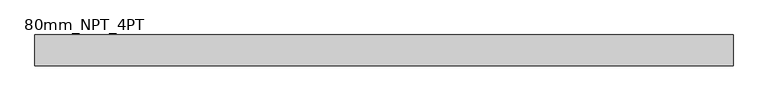
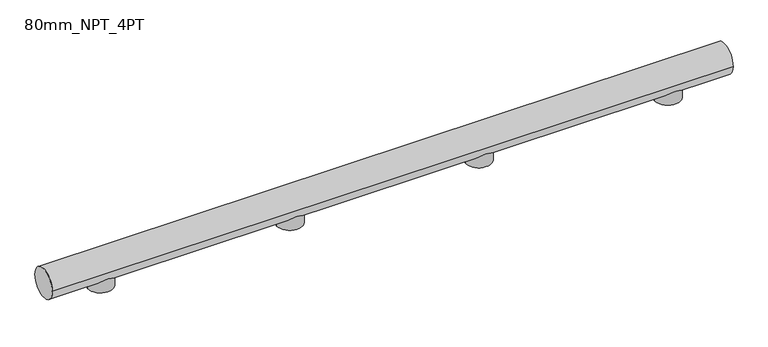
"""IFC4 building model written with IfcOpenShell, lengths in millimetres: proxy geometry, 80mm_NPT_4PT."""

from ifc_helpers import new_model, si_unit, point, frame, frame_2d, origin, place, context, project, spatial, circle_curve, trimmed, segment, composite_curve, outline, extrude, source, transform, mapped, element, save


def proxy_80mm_npt_4pt_a45b7241(model_context):
    return source(origin(), model_context, "Body", "SweptSolid", [
        extrude(outline(composite_curve([segment(trimmed(circle_curve(frame_2d((1250.0, 0.0)), 33.5), [point((1216.5, 0.0))], [point((1283.5, 0.0))], False, "CARTESIAN"), True, "CONTINUOUS"), segment(trimmed(circle_curve(frame_2d((1250.0, 0.0)), 33.5), [point((1283.5, 0.0))], [point((1216.5, 0.0))], False, "CARTESIAN"), True, "CONTINUOUS")], self_intersect=False)), frame((0.0, 0.0, -17.10201), z_axis=(0.0, 0.0, 1.0), x_axis=(1.0, 0.0, 0.0)), (0.0, 0.0, 1.0), 67.4327816),
        extrude(outline(composite_curve([segment(trimmed(circle_curve(frame_2d((750.0, 0.0)), 33.5), [point((716.5, 0.0))], [point((783.5, 0.0))], False, "CARTESIAN"), True, "CONTINUOUS"), segment(trimmed(circle_curve(frame_2d((750.0, 0.0)), 33.5), [point((783.5, 0.0))], [point((716.5, 0.0))], False, "CARTESIAN"), True, "CONTINUOUS")], self_intersect=False)), frame((0.0, 0.0, -17.10201), z_axis=(0.0, 0.0, 1.0), x_axis=(1.0, 0.0, 0.0)), (0.0, 0.0, 1.0), 67.4327816),
        extrude(outline(composite_curve([segment(trimmed(circle_curve(frame_2d((250.0, 0.0)), 33.5), [point((216.5, 0.0))], [point((283.5, 0.0))], False, "CARTESIAN"), True, "CONTINUOUS"), segment(trimmed(circle_curve(frame_2d((250.0, 0.0)), 33.5), [point((283.5, 0.0))], [point((216.5, 0.0))], False, "CARTESIAN"), True, "CONTINUOUS")], self_intersect=False)), frame((0.0, 0.0, -17.10201), z_axis=(0.0, 0.0, 1.0), x_axis=(1.0, 0.0, 0.0)), (0.0, 0.0, 1.0), 67.4327816),
        extrude(outline(composite_curve([segment(trimmed(circle_curve(frame_2d((-250.0, 0.0)), 33.5), [point((-283.5, 0.0))], [point((-216.5, 0.0))], False, "CARTESIAN"), True, "CONTINUOUS"), segment(trimmed(circle_curve(frame_2d((-250.0, 0.0)), 33.5), [point((-216.5, 0.0))], [point((-283.5, 0.0))], False, "CARTESIAN"), True, "CONTINUOUS")], self_intersect=False)), frame((0.0, 0.0, -17.10201), z_axis=(0.0, 0.0, 1.0), x_axis=(1.0, 0.0, 0.0)), (0.0, 0.0, 1.0), 67.4327816),
        extrude(outline(composite_curve([segment(trimmed(circle_curve(frame_2d((0.0, 40.0)), 40.0), [point((-40.0, 40.0))], [point((40.0, 40.0))], False, "CARTESIAN"), True, "CONTINUOUS"), segment(trimmed(circle_curve(frame_2d((0.0, 40.0)), 40.0), [point((40.0, 40.0))], [point((-40.0, 40.0))], False, "CARTESIAN"), True, "CONTINUOUS")], self_intersect=False)), frame((-400.0, 0.0, 0.0), z_axis=(1.0, 0.0, 0.0), x_axis=(0.0, 1.0, 0.0)), (0.0, 0.0, 1.0), 1800.0),
    ])


if __name__ == "__main__":
    model = new_model("IFC4")
    model_context = context("Model", 3, world=origin())
    ifc_project = project(units=[si_unit("LENGTHUNIT", "METRE", prefix="MILLI")], contexts=[model_context])
    site = spatial("IfcSite", under=ifc_project)
    building = spatial("IfcBuilding", under=site)
    placement = place(None, origin())
    proxy_80mm_npt_4pt_shape = proxy_80mm_npt_4pt_a45b7241(model_context)
    element("IfcBuildingElementProxy", 1, Name="80mm_NPT_4PT", ObjectType="80mm_NPT_4PT", at=placement, inside=building, context=model_context, shape_type="MappedRepresentation", body=[
        mapped(proxy_80mm_npt_4pt_shape, transform((0.0, 0.0, 0.0), x_axis=(1.0, 0.0, 0.0), y_axis=(0.0, 1.0, 0.0), z_axis=(0.0, 0.0, 1.0))),
    ])
    save(model, "model.ifc")
